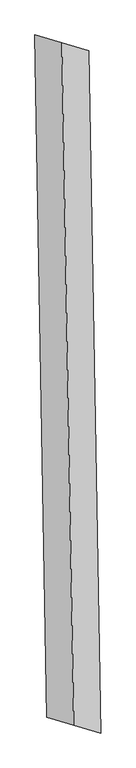
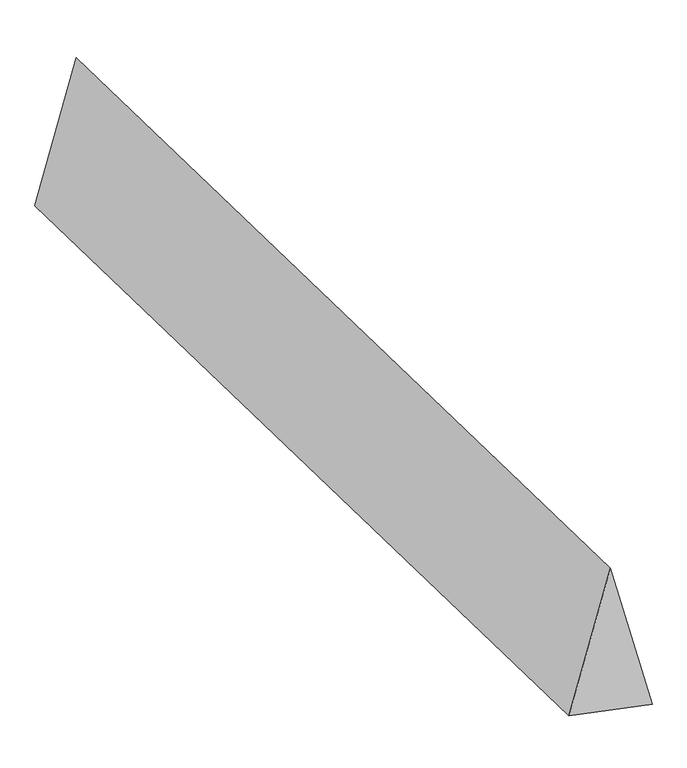
"""IFC4 building model written with IfcOpenShell, lengths in millimetres: proxy geometry."""

from ifc_helpers import new_model, si_unit, origin, place, context, project, spatial, faceted_brep, source, transform, mapped, element, save


def generic_models_51eb4f3b(model_context):
    return source(origin(), model_context, "Body", "Brep", [
        faceted_brep([(36.390622, -2096.1044948, 700.0), (202.047682, -2145.0171643, 0.0), (129.2664379, 2047.1918253, 0.0), (-36.390622, 2096.1044948, 700.0), (-129.2664379, -2047.1918253, 0.0), (-202.047682, 2145.0171643, 0.0)], [[[0, 1, 2, 3]], [[1, 4, 5, 2]], [[4, 0, 3, 5]], [[3, 2, 5]], [[0, 4, 1]]]),
    ])


if __name__ == "__main__":
    model = new_model("IFC4")
    model_context = context("Model", 3, world=origin())
    ifc_project = project(units=[si_unit("LENGTHUNIT", "METRE", prefix="MILLI")], contexts=[model_context])
    site = spatial("IfcSite", under=ifc_project)
    building = spatial("IfcBuilding", under=site)
    placement = place(None, origin())
    generic_models_shape = generic_models_51eb4f3b(model_context)
    element("IfcBuildingElementProxy", 1, Name="Generic Models", at=placement, inside=building, context=model_context, shape_type="MappedRepresentation", body=[
        mapped(generic_models_shape, transform((0.0, 0.0, 0.0), x_axis=(1.0, 0.0, 0.0), y_axis=(0.0, 1.0, 0.0), z_axis=(0.0, 0.0, 1.0))),
    ])
    save(model, "model.ifc")
